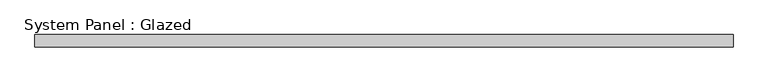
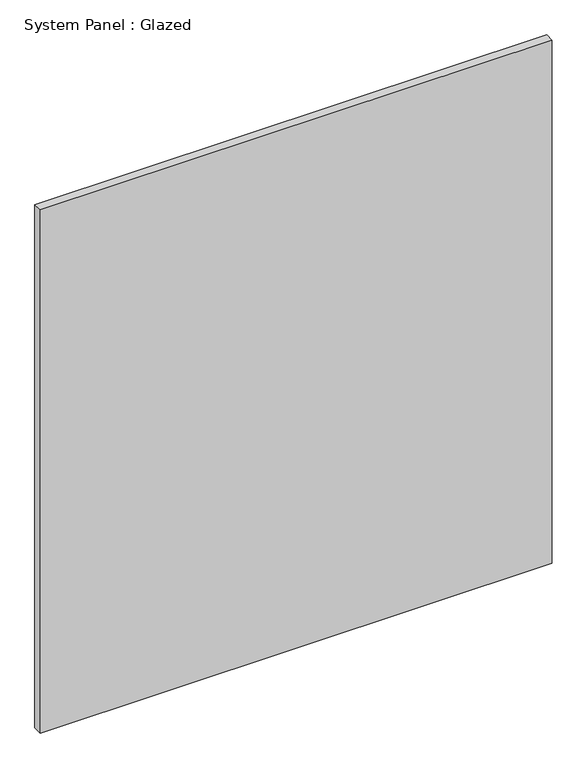
"""IFC4 building model written with IfcOpenShell, lengths in millimetres: plate geometry, System Panel : Glazed."""

from ifc_helpers import new_model, si_unit, origin, origin_with_axes, place, context, project, spatial, polyline, outline, extrude, source, transform, mapped, element, save


def system_panel_glazed_0b5cfcb1(model_context):
    return source(origin(), model_context, "Body", "SweptSolid", [
        extrude(outline(polyline([(699.256285, -49.5), (-699.256285, -49.5), (-699.256285, -24.5), (699.256285, -24.5), (699.256285, -49.5)])), origin_with_axes(), (0.0, 0.0, 1.0), 1510.6350987),
    ])


if __name__ == "__main__":
    model = new_model("IFC4")
    model_context = context("Model", 3, world=origin())
    ifc_project = project(units=[si_unit("LENGTHUNIT", "METRE", prefix="MILLI")], contexts=[model_context])
    site = spatial("IfcSite", under=ifc_project)
    building = spatial("IfcBuilding", under=site)
    placement = place(None, origin())
    system_panel_glazed_shape = system_panel_glazed_0b5cfcb1(model_context)
    element("IfcPlate", 1, ObjectType="System Panel : Glazed", at=placement, inside=building, context=model_context, shape_type="MappedRepresentation", body=[
        mapped(system_panel_glazed_shape, transform((0.0, 0.0, 0.0), x_axis=(1.0, 0.0, 0.0), y_axis=(0.0, 1.0, 0.0), z_axis=(0.0, 0.0, 1.0))),
    ])
    save(model, "model.ifc")
